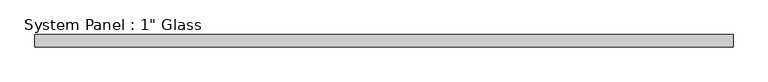
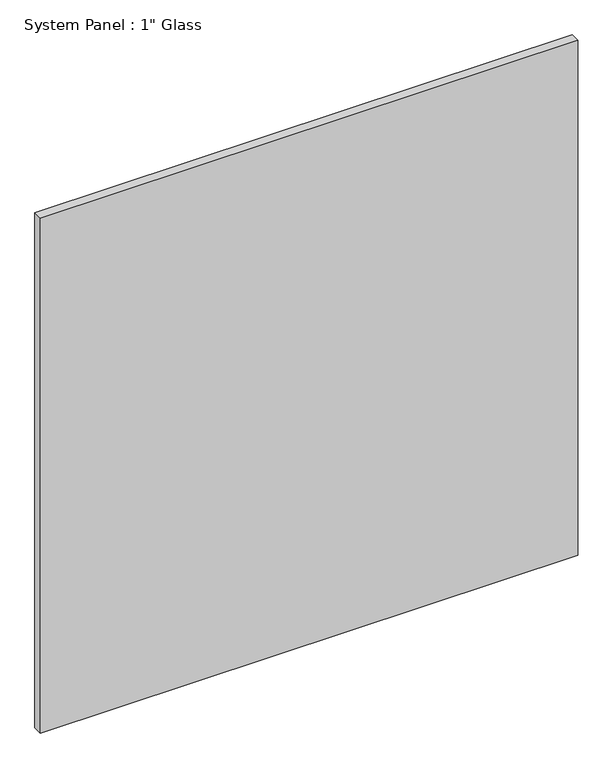
"""IFC4 building model written with IfcOpenShell, lengths in millimetres: plate geometry."""

from ifc_helpers import new_model, si_unit, origin, origin_with_axes, place, context, project, spatial, polyline, outline, extrude, source, transform, mapped, element, save


def plate_c6b6b6ef(model_context):
    return source(origin(), model_context, "Body", "SweptSolid", [
        extrude(outline(polyline([(720.7258852, -12.7), (-720.7258852, -12.7), (-720.7258852, 12.7), (720.7258852, 12.7), (720.7258852, -12.7)])), origin_with_axes(), (0.0, 0.0, 1.0), 1459.3441382),
    ])


if __name__ == "__main__":
    model = new_model("IFC4")
    model_context = context("Model", 3, world=origin())
    ifc_project = project(units=[si_unit("LENGTHUNIT", "METRE", prefix="MILLI")], contexts=[model_context])
    site = spatial("IfcSite", under=ifc_project)
    building = spatial("IfcBuilding", under=site)
    placement = place(None, origin())
    plate_shape = plate_c6b6b6ef(model_context)
    element("IfcPlate", 1, ObjectType="System Panel : 1\" Glass", at=placement, inside=building, context=model_context, shape_type="MappedRepresentation", body=[
        mapped(plate_shape, transform((0.0, 0.0, 0.0), x_axis=(1.0, 0.0, 0.0), y_axis=(0.0, 1.0, 0.0), z_axis=(0.0, 0.0, 1.0))),
    ])
    save(model, "model.ifc")
